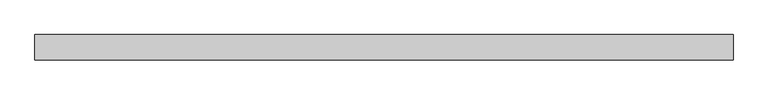
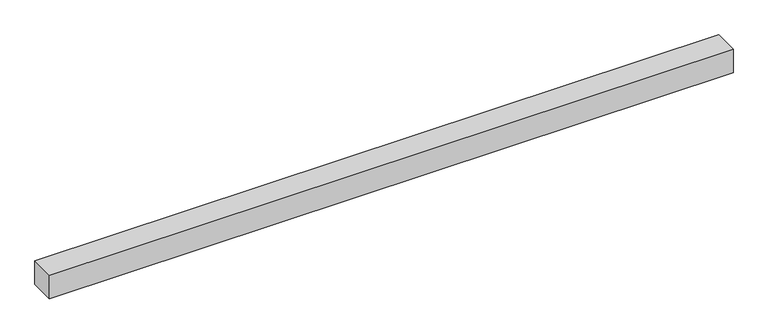
"""IFC4 building model written with IfcOpenShell, lengths in millimetres: beam geometry."""

from ifc_helpers import new_model, si_unit, frame, origin, place, context, project, spatial, polyline, outline, extrude, source, transform, mapped, element, save


def beam_ca026e1b(model_context):
    return source(origin(), model_context, "Body", "SweptSolid", [
        extrude(outline(polyline([(2049.9999994, 75.0), (2049.9999994, -75.0), (-2050.0, -75.0), (-2050.0, 75.0), (2049.9999994, 75.0)])), frame((0.0, 0.0, -75.0), z_axis=(0.0, 0.0, 1.0), x_axis=(1.0, 0.0, 0.0)), (0.0, 0.0, 1.0), 150.0),
    ])


if __name__ == "__main__":
    model = new_model("IFC4")
    model_context = context("Model", 3, world=origin())
    ifc_project = project(units=[si_unit("LENGTHUNIT", "METRE", prefix="MILLI")], contexts=[model_context])
    site = spatial("IfcSite", under=ifc_project)
    building = spatial("IfcBuilding", under=site)
    placement = place(None, origin())
    beam_shape = beam_ca026e1b(model_context)
    element("IfcBeam", 1, at=placement, inside=building, context=model_context, shape_type="MappedRepresentation", body=[
        mapped(beam_shape, transform((0.0, 0.0, 0.0), x_axis=(1.0, 0.0, 0.0), y_axis=(0.0, 1.0, 0.0), z_axis=(0.0, 0.0, 1.0))),
    ])
    save(model, "model.ifc")
